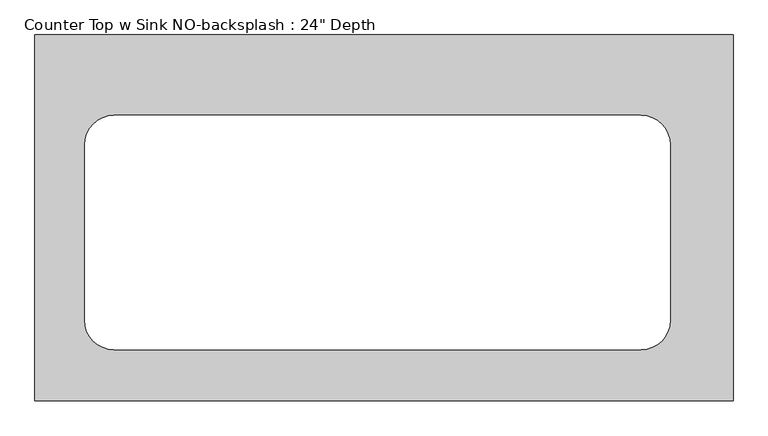
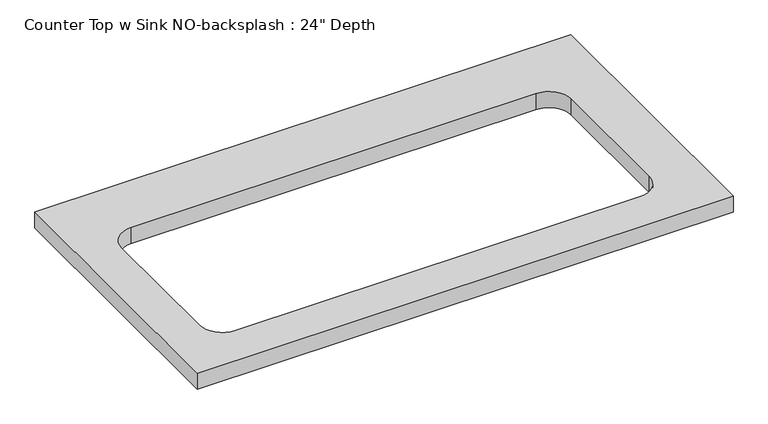
"""IFC4 building model written with IfcOpenShell, lengths in millimetres: furniture geometry."""

from ifc_helpers import new_model, si_unit, point, frame, frame_2d, origin, place, context, project, spatial, polyline, circle_curve, trimmed, segment, composite_curve, outline, extrude, source, transform, mapped, element, save


def furniture_aa75ef2d(model_context):
    return source(origin(), model_context, "Body", "SweptSolid", [
        extrude(outline(polyline([(10.7572872, 0.0), (10.7572872, -635.0), (-1200.4622951, -635.0), (-1200.4622951, 0.0), (10.7572872, 0.0)]), holes=[composite_curve([segment(polyline([(-149.0977669, -139.7), (-1063.4977669, -139.7)]), True, "CONTINUOUS"), segment(trimmed(circle_curve(frame_2d((-1063.4977669, -190.5)), 50.8), [point((-1063.4977669, -139.7))], [point((-1114.2977669, -190.5))], True, "CARTESIAN"), True, "CONTINUOUS"), segment(polyline([(-1114.2977669, -190.5), (-1114.2977669, -495.3)]), True, "CONTINUOUS"), segment(trimmed(circle_curve(frame_2d((-1063.4977669, -495.3)), 50.8), [point((-1114.2977669, -495.3))], [point((-1063.4977669, -546.1))], True, "CARTESIAN"), True, "CONTINUOUS"), segment(polyline([(-1063.4977669, -546.1), (-149.0977669, -546.1)]), True, "CONTINUOUS"), segment(trimmed(circle_curve(frame_2d((-149.0977669, -495.3)), 50.8), [point((-149.0977669, -546.1))], [point((-98.2977669, -495.3))], True, "CARTESIAN"), True, "CONTINUOUS"), segment(polyline([(-98.2977669, -495.3), (-98.2977669, -190.5)]), True, "CONTINUOUS"), segment(trimmed(circle_curve(frame_2d((-149.0977669, -190.5)), 50.8), [point((-98.2977669, -190.5))], [point((-149.0977669, -139.7))], True, "CARTESIAN"), True, "CONTINUOUS")], self_intersect=False)]), frame((0.0, 0.0, 876.3), z_axis=(0.0, 0.0, 1.0), x_axis=(1.0, 0.0, 0.0)), (0.0, 0.0, 1.0), 38.1),
    ])


if __name__ == "__main__":
    model = new_model("IFC4")
    model_context = context("Model", 3, world=origin())
    ifc_project = project(units=[si_unit("LENGTHUNIT", "METRE", prefix="MILLI")], contexts=[model_context])
    site = spatial("IfcSite", under=ifc_project)
    building = spatial("IfcBuilding", under=site)
    placement = place(None, origin())
    furniture_shape = furniture_aa75ef2d(model_context)
    element("IfcFurniture", 1, ObjectType="Counter Top w Sink NO-backsplash : 24\" Depth", at=placement, inside=building, context=model_context, shape_type="MappedRepresentation", body=[
        mapped(furniture_shape, transform((0.0, 0.0, 0.0), x_axis=(1.0, 0.0, 0.0), y_axis=(0.0, 1.0, 0.0), z_axis=(0.0, 0.0, 1.0))),
    ])
    save(model, "model.ifc")
